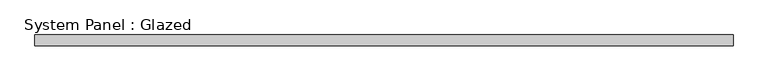
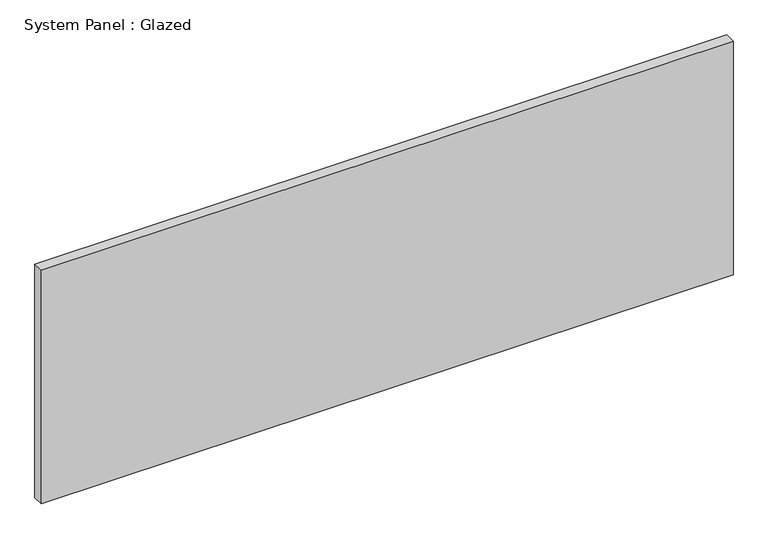
"""IFC4 building model written with IfcOpenShell, lengths in millimetres: plate geometry, System Panel : Glazed."""

from ifc_helpers import new_model, si_unit, origin, origin_with_axes, place, context, project, spatial, polyline, outline, extrude, source, transform, mapped, element, save


def system_panel_glazed_78e5e025(model_context):
    return source(origin(), model_context, "Body", "SweptSolid", [
        extrude(outline(polyline([(794.0628487, 24.5), (-794.0628487, 24.5), (-794.0628487, 49.5), (794.0628487, 49.5), (794.0628487, 24.5)])), origin_with_axes(), (0.0, 0.0, 1.0), 567.0666667),
    ])


if __name__ == "__main__":
    model = new_model("IFC4")
    model_context = context("Model", 3, world=origin())
    ifc_project = project(units=[si_unit("LENGTHUNIT", "METRE", prefix="MILLI")], contexts=[model_context])
    site = spatial("IfcSite", under=ifc_project)
    building = spatial("IfcBuilding", under=site)
    placement = place(None, origin())
    system_panel_glazed_shape = system_panel_glazed_78e5e025(model_context)
    element("IfcPlate", 1, ObjectType="System Panel : Glazed", at=placement, inside=building, context=model_context, shape_type="MappedRepresentation", body=[
        mapped(system_panel_glazed_shape, transform((0.0, 0.0, 0.0), x_axis=(1.0, 0.0, 0.0), y_axis=(0.0, 1.0, 0.0), z_axis=(0.0, 0.0, 1.0))),
    ])
    save(model, "model.ifc")
